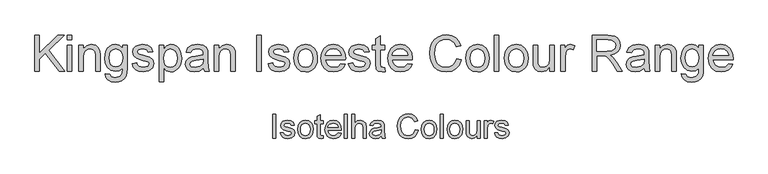
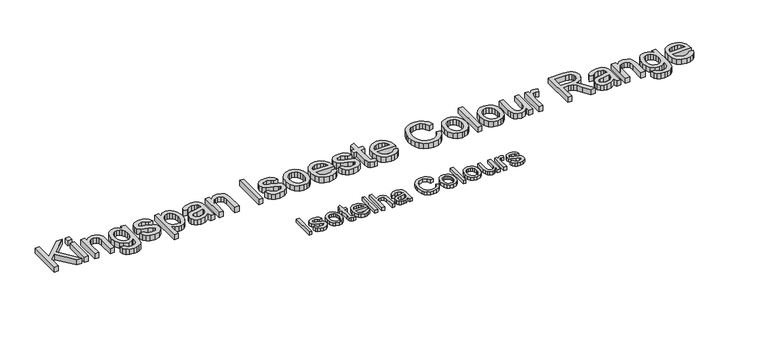
"""IFC4 building model written with IfcOpenShell, lengths in millimetres: proxy geometry."""

import ifcopenshell
import ifcopenshell.guid

model = None  # the IFC model being written
_history = None  # IfcOwnerHistory: only IFC2X3 demands one
_inside = {}  # id of a spatial element -> (the spatial element, [elements in it])
_under = {}  # id of a project, library or spatial element -> (it, [spatial elements below it])
_declared = {}  # id of a project -> (the project, [libraries it declares])
_typed = {}  # id of a type object -> (the type object, [elements of that type])
_made_of = {}  # id of a material, layer set ... -> (it, [elements and type objects made of it])


def new_model(schema):
    """Start an empty IFC model of exactly this schema.

    Asked for "IFC4X3", IfcOpenShell would pick the latest addendum, in which some entities
    have other attributes; the version numbers below select the first issue.
    IFC2X3 requires an IfcOwnerHistory on every rooted entity: one is made here for all.
    """
    global model, _history
    if schema == "IFC4X3":
        model = ifcopenshell.file(schema_version=(4, 3, 0, 0))
    else:
        model = ifcopenshell.file(schema=schema)
    _inside.clear()
    _under.clear()
    _declared.clear()
    _typed.clear()
    _made_of.clear()
    _history = None
    if model.schema == "IFC2X3":
        org = make("IfcOrganization", Name="unknown")
        user = make(
            "IfcPersonAndOrganization",
            ThePerson=make("IfcPerson", FamilyName="unknown"),
            TheOrganization=org,
        )
        app = make(
            "IfcApplication",
            ApplicationDeveloper=org,
            Version="unknown",
            ApplicationFullName="unknown",
            ApplicationIdentifier="unknown",
        )
        _history = make(
            "IfcOwnerHistory",
            OwningUser=user,
            OwningApplication=app,
            ChangeAction="ADDED",
            CreationDate=0,
        )
    return model


def make(cls, **values):
    """One entity of the class cls with the attributes given. An attribute that is None is left unset."""
    return model.create_entity(
        cls, **{name: value for name, value in values.items() if value is not None}
    )


def rooted(cls, **values):
    """An entity with a GlobalId (a new one), such as an element, a storey or a relation."""
    return make(cls, GlobalId=ifcopenshell.guid.new(), OwnerHistory=_history, **values)


def si_unit(unit_type, name, prefix=None):
    """IfcSIUnit, for example si_unit("LENGTHUNIT", "METRE", prefix="MILLI")."""
    return make("IfcSIUnit", UnitType=unit_type, Prefix=prefix, Name=name)


def assignment(units):
    """IfcUnitAssignment: the units of a project."""
    return None if units is None else make("IfcUnitAssignment", Units=units)


def point(xyz):
    """IfcCartesianPoint."""
    return None if xyz is None else make("IfcCartesianPoint", Coordinates=xyz)


def direction(xyz):
    """IfcDirection."""
    return None if xyz is None else make("IfcDirection", DirectionRatios=xyz)


def frame(location, z_axis=None, x_axis=None):
    """IfcAxis2Placement3D, a coordinate frame: its origin and axes. An axis left out is left unset."""
    return make(
        "IfcAxis2Placement3D",
        Location=point(location),
        Axis=direction(z_axis),
        RefDirection=direction(x_axis),
    )


def origin():
    """The frame at (0, 0, 0) with its axes left unset."""
    return frame((0.0, 0.0, 0.0))


def origin_with_axes():
    """The frame at (0, 0, 0) with the z axis (0, 0, 1) and the x axis (1, 0, 0) written out."""
    return frame((0.0, 0.0, 0.0), z_axis=(0.0, 0.0, 1.0), x_axis=(1.0, 0.0, 0.0))


def place(relative_to, where):
    """IfcLocalPlacement: puts the frame where relative to a parent placement (None: the world)."""
    return make(
        "IfcLocalPlacement", PlacementRelTo=relative_to, RelativePlacement=where
    )


def context(
    kind, dimensions, precision=None, world=None, true_north=None, identifier=None
):
    """IfcGeometricRepresentationContext, for example the 3D "Model" context."""
    return make(
        "IfcGeometricRepresentationContext",
        ContextIdentifier=identifier,
        ContextType=kind,
        CoordinateSpaceDimension=dimensions,
        Precision=precision,
        WorldCoordinateSystem=world,
        TrueNorth=true_north,
    )


def project(units=None, contexts=None):
    """IfcProject with its units and contexts."""
    return rooted(
        "IfcProject",
        Name="project",
        RepresentationContexts=contexts,
        UnitsInContext=assignment(units),
    )


def spatial(cls, under=None, at=None, **own):
    """A site, building, storey or space (cls), placed at a placement, below another one or the project."""
    s = rooted(cls, ObjectPlacement=at, **own)
    if under is not None:
        _under.setdefault(under.id(), (under, []))[1].append(s)
    return s


def polyline(points):
    """IfcPolyline through the points."""
    return make("IfcPolyline", Points=[point(p) for p in points])


def outline(outer, holes=None, kind="AREA"):
    """IfcArbitraryClosedProfileDef: a profile drawn as a closed curve; with holes, ...WithVoids."""
    if holes is None:
        return make("IfcArbitraryClosedProfileDef", ProfileType=kind, OuterCurve=outer)
    return make(
        "IfcArbitraryProfileDefWithVoids",
        ProfileType=kind,
        OuterCurve=outer,
        InnerCurves=holes,
    )


def extrude(swept, where, along, depth):
    """IfcExtrudedAreaSolid: the profile swept, set in the frame where, extruded along a direction by depth."""
    return make(
        "IfcExtrudedAreaSolid",
        SweptArea=swept,
        Position=where,
        ExtrudedDirection=direction(along),
        Depth=depth,
    )


def shape(context_of_items, identifier, shape_type, items):
    """IfcShapeRepresentation: the items that make up one representation, for example the "Body"."""
    return make(
        "IfcShapeRepresentation",
        ContextOfItems=context_of_items,
        RepresentationIdentifier=identifier,
        RepresentationType=shape_type,
        Items=items,
    )


def source(mapping_origin, context_of_items, identifier, shape_type, items):
    """IfcRepresentationMap: a shape defined once, which mapped items show again and again."""
    return make(
        "IfcRepresentationMap",
        MappingOrigin=mapping_origin,
        MappedRepresentation=shape(context_of_items, identifier, shape_type, items),
    )


def transform(
    local_origin,
    x_axis=None,
    y_axis=None,
    z_axis=None,
    scale=None,
    scale2=None,
    scale3=None,
    uniform=True,
):
    """IfcCartesianTransformationOperator3D, or its non-uniform kind. x_axis, y_axis, z_axis: its Axis1, 2, 3."""
    if uniform:
        return make(
            "IfcCartesianTransformationOperator3D",
            Axis1=direction(x_axis),
            Axis2=direction(y_axis),
            LocalOrigin=point(local_origin),
            Scale=scale,
            Axis3=direction(z_axis),
        )
    return make(
        "IfcCartesianTransformationOperator3DnonUniform",
        Axis1=direction(x_axis),
        Axis2=direction(y_axis),
        LocalOrigin=point(local_origin),
        Scale=scale,
        Axis3=direction(z_axis),
        Scale2=scale2,
        Scale3=scale3,
    )


def mapped(mapping_source, mapping_target):
    """IfcMappedItem: shows the shape of a source again, moved by a transform."""
    return make(
        "IfcMappedItem", MappingSource=mapping_source, MappingTarget=mapping_target
    )


def made_of(thing, what):
    """Note that an element or type object is made of a material, layer set ...; save() writes the relation."""
    if what is not None:
        _made_of.setdefault(what.id(), (what, []))[1].append(thing)
    return thing


def element(
    cls,
    number,
    at=None,
    inside=None,
    cuts=None,
    type_object=None,
    material=None,
    context=None,
    identifier="Body",
    shape_type=None,
    held_by="IfcProductDefinitionShape",
    body=None,
    shapes=None,
    **own,
):
    """One element of the class cls, such as IfcWall. Its Tag is "e" and its number.

    at: its placement. inside: the storey or other place that contains it. cuts: it is an
    opening in that element (IfcRelVoidsElement). A single representation is given by context,
    identifier, shape_type and body (its items); several are given by shapes. held_by: the class
    of the entity that holds the representations. save() writes the other relations.
    """
    e = rooted(cls, Tag="e%d" % number, ObjectPlacement=at, **own)
    if body is not None:
        shapes = [shape(context, identifier, shape_type, body)]
    if shapes is not None:
        e.Representation = make(held_by, Representations=shapes)
    if inside is not None:
        _inside.setdefault(inside.id(), (inside, []))[1].append(e)
    if cuts is not None:
        rooted(
            "IfcRelVoidsElement", RelatingBuildingElement=cuts, RelatedOpeningElement=e
        )
    if type_object is not None:
        _typed.setdefault(type_object.id(), (type_object, []))[1].append(e)
    return made_of(e, material)


def aggregate(whole, parts):
    """IfcRelAggregates: a whole, such as a stair, and the parts it consists of."""
    return rooted("IfcRelAggregates", RelatingObject=whole, RelatedObjects=parts)


def save(model, path):
    """Write the relations noted so far, then the file.

    IfcRelAggregates (storeys below a building ...), IfcRelContainedInSpatialStructure (elements
    in a storey), IfcRelDefinesByType, IfcRelAssociatesMaterial and IfcRelDeclares: one each for
    every whole, place, type object, material and project.
    """
    for whole, parts in _under.values():
        aggregate(whole, parts)
    for where, things in _inside.values():
        rooted(
            "IfcRelContainedInSpatialStructure",
            RelatedElements=things,
            RelatingStructure=where,
        )
    for kind, things in _typed.values():
        rooted("IfcRelDefinesByType", RelatedObjects=things, RelatingType=kind)
    for what, things in _made_of.values():
        rooted("IfcRelAssociatesMaterial", RelatedObjects=things, RelatingMaterial=what)
    for by, libraries in _declared.values():
        rooted("IfcRelDeclares", RelatingContext=by, RelatedDefinitions=libraries)
    model.write(path)


def generic_models_5070884a(model_context):
    return source(origin(), model_context, "Body", "SweptSolid", [
        extrude(outline(polyline([(-1457.4013121, 700.0), (-1457.4013121, 850.6844652), (-1438.5657539, 850.6844652), (-1438.5657539, 776.9241252), (-1361.310535, 850.6844652), (-1334.9701841, 850.6844652), (-1399.8277798, 788.7331372), (-1332.6157393, 700.0), (-1355.6451522, 700.0), (-1413.1818963, 776.0044202), (-1438.5657539, 751.7977849), (-1438.5657539, 700.0), (-1457.4013121, 700.0)])), origin_with_axes(), (0.0, 0.0, 1.0), 25.0),
        extrude(outline(polyline([(-1320.8435155, 831.8489071), (-1320.8435155, 850.6844652), (-1302.0079573, 850.6844652), (-1302.0079573, 831.8489071), (-1320.8435155, 831.8489071)])), origin_with_axes(), (0.0, 0.0, 1.0), 25.0),
        extrude(outline(polyline([(-1320.8435155, 700.0), (-1320.8435155, 810.6589041), (-1302.0079573, 810.6589041), (-1302.0079573, 700.0), (-1320.8435155, 700.0)])), origin_with_axes(), (0.0, 0.0, 1.0), 25.0),
        extrude(outline(polyline([(-1273.7546201, 700.0), (-1273.7546201, 810.6589041), (-1254.9190619, 810.6589041), (-1254.9190619, 795.2078604), (-1240.5164818, 808.5619768), (-1220.8531892, 813.0133489), (-1203.0660947, 809.4264995), (-1190.9259889, 800.0087204), (-1185.2790003, 786.1579633), (-1184.2857189, 767.9478045), (-1184.2857189, 700.0), (-1203.121277, 700.0), (-1203.121277, 765.4094187), (-1205.2917808, 782.0744731), (-1212.9621204, 790.8852469), (-1225.8931725, 794.1777908), (-1236.9250339, 792.3291837), (-1246.3290174, 786.7833627), (-1252.7715508, 776.0687996), (-1254.9190619, 758.7139664), (-1254.9190619, 700.0), (-1273.7546201, 700.0)])), origin_with_axes(), (0.0, 0.0, 1.0), 25.0),
        extrude(outline(polyline([(-1163.095716, 690.5822209), (-1144.2601578, 688.2277762), (-1138.1533167, 678.2949623), (-1119.8695815, 674.1011075), (-1100.592565, 678.8467853), (-1091.3955151, 692.1641135), (-1090.1079281, 714.1266686), (-1103.370074, 703.5316672), (-1119.5384877, 700.0), (-1138.9580585, 704.1110813), (-1153.4388136, 716.4443252), (-1162.4473239, 734.5257252), (-1165.4501607, 755.8812751), (-1160.0606895, 785.0727114), (-1153.4664047, 796.9231102), (-1144.4624929, 805.7292854), (-1133.3570552, 811.192333), (-1120.4581927, 813.0133489), (-1103.6551826, 808.8930706), (-1090.1079281, 796.5322355), (-1090.1079281, 810.6589041), (-1071.27237, 810.6589041), (-1071.27237, 715.11995), (-1072.5599569, 693.0608259), (-1076.4227179, 678.5340856), (-1083.0767835, 668.9001758), (-1092.7382844, 661.5195433), (-1105.1956884, 656.8290479), (-1120.2374635, 655.2655494), (-1137.7624421, 657.4682428), (-1151.5626154, 664.0763232), (-1160.4147759, 675.1081845), (-1163.095716, 690.5822209)]), holes=[polyline([(-1146.6146026, 757.1688621), (-1144.6050472, 739.8922039), (-1138.576381, 728.0142139), (-1129.5126883, 721.1302221), (-1118.3980535, 718.8355582), (-1107.3661922, 721.1164265), (-1098.2565143, 727.9590316), (-1092.1450747, 739.6852702), (-1090.1079281, 756.6170391), (-1092.2048555, 772.9464011), (-1098.4956376, 784.7048294), (-1107.7386727, 791.8095504), (-1118.6923591, 794.1777908), (-1129.448309, 791.8463386), (-1138.4660164, 784.8519822), (-1144.577456, 773.2682979), (-1146.6146026, 757.1688621)])]), origin_with_axes(), (0.0, 0.0, 1.0), 25.0),
        extrude(outline(polyline([(-1050.082367, 732.9622268), (-1031.2468089, 735.3166715), (-1028.2761618, 727.2600558), (-1022.5280056, 721.3371557), (-1002.5520133, 716.4811134), (-983.3485731, 720.9324855), (-977.0945792, 731.3803342), (-978.6672747, 736.1811942), (-983.3853613, 739.8416201), (-1002.7727425, 745.2126972), (-1031.1364443, 754.4281412), (-1043.5156734, 765.1886895), (-1047.7279223, 780.3822159), (-1044.3434079, 794.4169141), (-1035.1095698, 805.1406742), (-1023.1350109, 810.7140864), (-1006.929809, 813.0133489), (-984.0107607, 809.3161349), (-969.4426337, 799.3097446), (-962.9679106, 782.4055669), (-981.8034687, 780.0511222), (-988.8851971, 790.4437885), (-1005.458281, 794.1777908), (-1023.4844988, 790.6093354), (-1028.8923641, 782.2952023), (-1026.6482839, 776.8137606), (-1019.6217378, 772.656694), (-1003.3981418, 768.6467803), (-975.7518099, 759.7808242), (-962.9127283, 749.7376457), (-958.259021, 733.366897), (-963.7220687, 715.3406792), (-979.4858122, 702.2624743), (-1002.8095307, 697.6455552), (-1021.8014387, 699.8712413), (-1035.6613928, 706.5482995), (-1044.913625, 717.6031535), (-1050.082367, 732.9622268)])), origin_with_axes(), (0.0, 0.0, 1.0), 25.0),
        extrude(outline(polyline([(-937.0690181, 657.6199942), (-937.0690181, 810.6589041), (-918.23346, 810.6589041), (-918.23346, 792.191228), (-905.2104373, 807.8078187), (-887.625678, 813.0133489), (-874.8877639, 811.192333), (-863.7501365, 805.7292854), (-854.6818453, 796.9552998), (-848.1519399, 785.2014701), (-842.8912273, 756.1755807), (-844.3765509, 740.0669478), (-848.8325216, 725.6597692), (-856.1165851, 713.6852102), (-866.0861871, 704.8744364), (-877.6974626, 699.4527755), (-889.9065463, 697.6455552), (-906.2956892, 702.4832035), (-918.23346, 714.7152798), (-918.23346, 657.6199942), (-937.0690181, 657.6199942)]), holes=[polyline([(-918.23346, 754.4465353), (-916.1963134, 737.5607517), (-910.0848738, 725.7517397), (-901.0671664, 718.79877), (-890.3112165, 716.4811134), (-879.3805227, 718.8815434), (-870.1328891, 726.0828335), (-863.8283114, 738.3241068), (-861.7267855, 755.8444869), (-863.7777276, 772.6382999), (-869.930554, 784.6128589), (-878.9344658, 791.7865578), (-889.5386643, 794.1777908), (-900.1842496, 791.6348065), (-909.5330508, 784.0058536), (-916.0583577, 771.5300554), (-918.23346, 754.4465353)])]), origin_with_axes(), (0.0, 0.0, 1.0), 25.0),
        extrude(outline(polyline([(-751.0678814, 714.1266686), (-769.3332224, 701.3611634), (-789.5115498, 697.6455552), (-805.2523007, 699.8804384), (-816.8635762, 706.5850877), (-824.0234795, 716.7662219), (-826.410114, 729.4305596), (-822.8048704, 744.3297804), (-813.331909, 755.1455111), (-800.1433395, 761.3259286), (-783.8461671, 764.15862), (-751.178246, 770.6333431), (-751.0678814, 774.8271978), (-752.3646654, 783.2333014), (-756.2550175, 788.7331372), (-764.9554267, 792.8166274), (-777.0771384, 794.1777908), (-796.1334258, 790.5541531), (-805.220111, 777.6966774), (-824.0556692, 780.0511222), (-815.907083, 798.4452219), (-799.499546, 809.2241644), (-774.6491172, 813.0133489), (-751.8220394, 809.6656228), (-738.9277755, 801.2595192), (-733.1520282, 788.4756198), (-732.2323232, 771.9945065), (-732.2323232, 748.5604234), (-731.27583, 715.8373199), (-727.5234337, 700.0), (-746.3589918, 700.0), (-751.0678814, 714.1266686)]), holes=[polyline([(-751.0678814, 751.7977849), (-781.4549342, 746.0220376), (-797.660136, 742.968617), (-804.9993818, 738.0022101), (-807.5745558, 730.7549348), (-801.9643554, 720.5646035), (-785.5016361, 716.4811134), (-766.4453488, 720.9876678), (-754.1580901, 731.895369), (-751.178246, 746.463496), (-751.0678814, 751.7977849)])]), origin_with_axes(), (0.0, 0.0, 1.0), 25.0),
        extrude(outline(polyline([(-706.3334307, 700.0), (-706.3334307, 810.6589041), (-687.4978726, 810.6589041), (-687.4978726, 795.2078604), (-673.0952925, 808.5619768), (-653.4319998, 813.0133489), (-635.6449054, 809.4264995), (-623.5047995, 800.0087204), (-617.8578109, 786.1579633), (-616.8645295, 767.9478045), (-616.8645295, 700.0), (-635.7000877, 700.0), (-635.7000877, 765.4094187), (-637.8705914, 782.0744731), (-645.540931, 790.8852469), (-658.4719832, 794.1777908), (-669.5038445, 792.3291837), (-678.907828, 786.7833627), (-685.3503614, 776.0687996), (-687.4978726, 758.7139664), (-687.4978726, 700.0), (-706.3334307, 700.0)])), origin_with_axes(), (0.0, 0.0, 1.0), 25.0),
        extrude(outline(polyline([(-527.3956283, 700.0), (-527.3956283, 850.6844652), (-508.5600701, 850.6844652), (-508.5600701, 700.0), (-527.3956283, 700.0)])), origin_with_axes(), (0.0, 0.0, 1.0), 25.0),
        extrude(outline(polyline([(-480.3067329, 732.9622268), (-461.4711747, 735.3166715), (-458.5005276, 727.2600558), (-452.7523715, 721.3371557), (-432.7763791, 716.4811134), (-413.572939, 720.9324855), (-407.3189451, 731.3803342), (-408.8916406, 736.1811942), (-413.6097272, 739.8416201), (-432.9971083, 745.2126972), (-461.3608102, 754.4281412), (-473.7400393, 765.1886895), (-477.9522881, 780.3822159), (-474.5677738, 794.4169141), (-465.3339357, 805.1406742), (-453.3593768, 810.7140864), (-437.1541749, 813.0133489), (-414.2351266, 809.3161349), (-399.6669996, 799.3097446), (-393.1922764, 782.4055669), (-412.0278346, 780.0511222), (-419.109563, 790.4437885), (-435.6826469, 794.1777908), (-453.7088647, 790.6093354), (-459.11673, 782.2952023), (-456.8726498, 776.8137606), (-449.8461037, 772.656694), (-433.6225077, 768.6467803), (-405.9761758, 759.7808242), (-393.1370941, 749.7376457), (-388.4833869, 733.366897), (-393.9464345, 715.3406792), (-409.710178, 702.2624743), (-433.0338965, 697.6455552), (-452.0258045, 699.8712413), (-465.8857587, 706.5482995), (-475.1379909, 717.6031535), (-480.3067329, 732.9622268)])), origin_with_axes(), (0.0, 0.0, 1.0), 25.0),
        extrude(outline(polyline([(-372.0022735, 755.3294521), (-367.9279804, 782.0100938), (-355.7051011, 800.7628785), (-340.6035452, 809.9507313), (-322.5221452, 813.0133489), (-302.7346924, 809.2839452), (-286.9295621, 798.095734), (-276.5690854, 780.3316322), (-273.1155932, 756.8745565), (-274.6423035, 737.8458603), (-279.2224343, 723.3605067), (-286.7226285, 712.5125864), (-297.0095288, 704.3961898), (-309.2278096, 699.3332139), (-322.5221452, 697.6455552), (-342.5487213, 701.3611634), (-358.3354574, 712.5079878), (-368.5855695, 730.6445702), (-372.0022735, 755.3294521)]), holes=[polyline([(-353.1667154, 755.3662403), (-350.9870145, 738.3195083), (-344.4479121, 726.174804), (-334.6070687, 718.904536), (-322.5221452, 716.4811134), (-310.4924039, 718.9183316), (-300.6699547, 726.2299863), (-294.1308522, 738.535639), (-291.9511514, 755.9548515), (-294.1446478, 772.5049427), (-300.725137, 784.4841002), (-310.5613818, 791.7543681), (-322.5221452, 794.1777908), (-334.6070687, 791.7635652), (-344.4479121, 784.5208884), (-350.9870145, 772.4037752), (-353.1667154, 755.3662403)])]), origin_with_axes(), (0.0, 0.0, 1.0), 25.0),
        extrude(outline(polyline([(-174.4496421, 732.9622268), (-155.981966, 730.607782), (-162.6360315, 716.6926455), (-173.2540256, 706.2907821), (-187.5968249, 699.806862), (-205.4253061, 697.6455552), (-227.525817, 701.374959), (-244.5311622, 712.5631701), (-255.374484, 730.4836218), (-258.9889246, 754.4097471), (-255.3376958, 779.1406142), (-244.3840094, 797.6358815), (-227.6085904, 809.1689821), (-206.4921639, 813.0133489), (-186.0333264, 809.1781791), (-169.6855703, 797.6726697), (-158.9664086, 779.2141906), (-155.3933548, 754.5201117), (-155.5037194, 749.4433402), (-240.1533665, 749.4433402), (-236.8930123, 735.3442627), (-229.3192417, 724.9791875), (-218.3885479, 718.6056319), (-205.0574241, 716.4811134), (-186.589748, 720.4174507), (-174.4496421, 732.9622268)]), holes=[polyline([(-240.1533665, 768.2788983), (-174.2289129, 768.2788983), (-176.7764957, 778.2301063), (-181.7704938, 785.3486229), (-192.7517714, 791.9704988), (-206.5657403, 794.1777908), (-219.2622677, 792.4165557), (-229.7607001, 787.1328506), (-237.0585592, 778.8968924), (-240.1533665, 768.2788983)])]), origin_with_axes(), (0.0, 0.0, 1.0), 25.0),
        extrude(outline(polyline([(-143.6211309, 732.9622268), (-124.7855728, 735.3166715), (-121.8149257, 727.2600558), (-116.0667695, 721.3371557), (-96.0907771, 716.4811134), (-76.887337, 720.9324855), (-70.6333431, 731.3803342), (-72.2060386, 736.1811942), (-76.9241252, 739.8416201), (-96.3115063, 745.2126972), (-124.6752082, 754.4281412), (-137.0544373, 765.1886895), (-141.2666861, 780.3822159), (-137.8821718, 794.4169141), (-128.6483337, 805.1406742), (-116.6737748, 810.7140864), (-100.4685729, 813.0133489), (-77.5495246, 809.3161349), (-62.9813976, 799.3097446), (-56.5066745, 782.4055669), (-75.3422326, 780.0511222), (-82.423961, 790.4437885), (-98.9970449, 794.1777908), (-117.0232627, 790.6093354), (-122.431128, 782.2952023), (-120.1870478, 776.8137606), (-113.1605017, 772.656694), (-96.9369057, 768.6467803), (-69.2905738, 759.7808242), (-56.4514922, 749.7376457), (-51.7977849, 733.366897), (-57.2608325, 715.3406792), (-73.024576, 702.2624743), (-96.3482945, 697.6455552), (-115.3402025, 699.8712413), (-129.2001567, 706.5482995), (-138.4523889, 717.6031535), (-143.6211309, 732.9622268)])), origin_with_axes(), (0.0, 0.0, 1.0), 25.0),
        extrude(outline(polyline([(9.4177791, 715.7085612), (11.7722238, 699.448177), (-2.3176566, 697.6455552), (-18.0997942, 700.7725522), (-25.9724689, 708.9763207), (-28.2533372, 730.3502646), (-28.2533372, 791.823346), (-42.3800058, 791.823346), (-42.3800058, 810.6589041), (-28.2533372, 810.6589041), (-28.2533372, 837.551078), (-9.4177791, 848.6243261), (-9.4177791, 810.6589041), (9.4177791, 810.6589041), (9.4177791, 791.823346), (-9.4177791, 791.823346), (-9.4177791, 730.9020876), (-8.4244977, 721.1900029), (-5.2055302, 717.7503063), (1.2140106, 716.4811134), (9.4177791, 715.7085612)])), origin_with_axes(), (0.0, 0.0, 1.0), 25.0),
        extrude(outline(polyline([(105.7292854, 732.9622268), (124.1969616, 730.607782), (117.542896, 716.6926455), (106.9249019, 706.2907821), (92.5821026, 699.806862), (74.7536214, 697.6455552), (52.6531106, 701.374959), (35.6477653, 712.5631701), (24.8044435, 730.4836218), (21.1900029, 754.4097471), (24.8412317, 779.1406142), (35.7949181, 797.6358815), (52.5703371, 809.1689821), (73.6867636, 813.0133489), (94.1456011, 809.1781791), (110.4933573, 797.6726697), (121.2125189, 779.2141906), (124.7855728, 754.5201117), (124.6752082, 749.4433402), (40.0255611, 749.4433402), (43.2859153, 735.3442627), (50.8596858, 724.9791875), (61.7903796, 718.6056319), (75.1215034, 716.4811134), (93.5891796, 720.4174507), (105.7292854, 732.9622268)]), holes=[polyline([(40.0255611, 768.2788983), (105.9500146, 768.2788983), (103.4024318, 778.2301063), (98.4084337, 785.3486229), (87.4271562, 791.9704988), (73.6131872, 794.1777908), (60.9166599, 792.4165557), (50.4182274, 787.1328506), (43.1203684, 778.8968924), (40.0255611, 768.2788983)])]), origin_with_axes(), (0.0, 0.0, 1.0), 25.0),
        extrude(outline(polyline([(310.7867095, 753.5636185), (329.6222677, 748.7075762), (320.9310555, 726.7588166), (307.2918306, 710.7237602), (289.3759774, 700.9151065), (267.8548807, 697.6455552), (246.0072887, 700.1195616), (228.6570541, 707.5415809), (215.35812, 719.6540956), (205.6644294, 736.1995883), (199.7461278, 755.6513488), (197.7733606, 776.4826668), (200.0036452, 798.454419), (206.694499, 817.4279329), (217.4964341, 832.8008017), (232.0599626, 843.9706188), (249.3320222, 850.7718372), (268.2595509, 853.03891), (288.9115264, 850.1050511), (305.9858495, 841.3034743), (318.9490913, 827.1768057), (327.2678229, 808.2676712), (308.4322648, 803.7795108), (301.9023593, 817.5153048), (292.981221, 826.9376824), (281.558485, 832.3869345), (267.5237869, 834.2033518), (251.3461762, 832.1891979), (238.0564391, 826.1467361), (227.9718739, 816.710563), (221.4097788, 804.5152748), (216.6089188, 776.519455), (218.029863, 759.1186366), (222.2926956, 744.072263), (229.558365, 731.9551498), (239.9878196, 723.3421126), (252.4912089, 718.1963632), (265.9786825, 716.4811134), (281.7010393, 718.8171641), (294.8022368, 725.8253161), (304.693664, 737.431993), (310.7867095, 753.5636185)])), origin_with_axes(), (0.0, 0.0, 1.0), 25.0),
        extrude(outline(polyline([(348.4578258, 755.3294521), (352.5321189, 782.0100938), (364.7549982, 800.7628785), (379.8565541, 809.9507313), (397.9379542, 813.0133489), (417.725407, 809.2839452), (433.5305372, 798.095734), (443.8910139, 780.3316322), (447.3445061, 756.8745565), (445.8177959, 737.8458603), (441.237665, 723.3605067), (433.7374708, 712.5125864), (423.4505705, 704.3961898), (411.2322898, 699.3332139), (397.9379542, 697.6455552), (377.9113781, 701.3611634), (362.124642, 712.5079878), (351.8745299, 730.6445702), (348.4578258, 755.3294521)]), holes=[polyline([(367.293384, 755.3662403), (369.4730848, 738.3195083), (376.0121873, 726.174804), (385.8530306, 718.904536), (397.9379542, 716.4811134), (409.9676954, 718.9183316), (419.7901447, 726.2299863), (426.3292472, 738.535639), (428.508948, 755.9548515), (426.3154516, 772.5049427), (419.7349624, 784.4841002), (409.8987176, 791.7543681), (397.9379542, 794.1777908), (385.8530306, 791.7635652), (376.0121873, 784.5208884), (369.4730848, 772.4037752), (367.293384, 755.3662403)])]), origin_with_axes(), (0.0, 0.0, 1.0), 25.0),
        extrude(outline(polyline([(468.5345091, 700.0), (468.5345091, 850.6844652), (487.3700672, 850.6844652), (487.3700672, 700.0), (468.5345091, 700.0)])), origin_with_axes(), (0.0, 0.0, 1.0), 25.0),
        extrude(outline(polyline([(510.9145149, 755.3294521), (514.988808, 782.0100938), (527.2116873, 800.7628785), (542.3132432, 809.9507313), (560.3946433, 813.0133489), (580.1820961, 809.2839452), (595.9872263, 798.095734), (606.347703, 780.3316322), (609.8011952, 756.8745565), (608.2744849, 737.8458603), (603.6943541, 723.3605067), (596.1941599, 712.5125864), (585.9072596, 704.3961898), (573.6889789, 699.3332139), (560.3946433, 697.6455552), (540.3680671, 701.3611634), (524.581331, 712.5079878), (514.3312189, 730.6445702), (510.9145149, 755.3294521)]), holes=[polyline([(529.7500731, 755.3662403), (531.9297739, 738.3195083), (538.4688763, 726.174804), (548.3097197, 718.904536), (560.3946433, 716.4811134), (572.4243845, 718.9183316), (582.2468338, 726.2299863), (588.7859362, 738.535639), (590.9656371, 755.9548515), (588.7721407, 772.5049427), (582.1916515, 784.4841002), (572.3554066, 791.7543681), (560.3946433, 794.1777908), (548.3097197, 791.7635652), (538.4688763, 784.5208884), (531.9297739, 772.4037752), (529.7500731, 755.3662403)])]), origin_with_axes(), (0.0, 0.0, 1.0), 25.0),
        extrude(outline(polyline([(701.6245412, 700.0), (701.6245412, 719.0194992), (686.8724732, 702.9890412), (667.6322448, 697.6455552), (649.9187268, 701.3979516), (637.7050445, 710.8157307), (632.0948441, 724.6848819), (630.9911981, 742.1960648), (630.9911981, 810.6589041), (649.8267563, 810.6589041), (649.8267563, 751.0620209), (650.9671905, 731.8585808), (658.4168009, 720.5829976), (672.451499, 716.4811134), (688.1784543, 720.6749681), (698.5711206, 732.0977041), (701.6245412, 753.0853719), (701.6245412, 810.6589041), (720.4600994, 810.6589041), (720.4600994, 700.0), (701.6245412, 700.0)])), origin_with_axes(), (0.0, 0.0, 1.0), 25.0),
        extrude(outline(polyline([(746.3589918, 700.0), (746.3589918, 810.6589041), (762.8401052, 810.6589041), (762.8401052, 794.2881554), (774.5387526, 809.3713172), (786.3109765, 813.0133489), (805.220111, 807.2008134), (798.9293289, 790.3150298), (785.6855771, 794.1777908), (775.0353933, 790.4621826), (768.2479705, 780.1614867), (765.19455, 758.1621434), (765.19455, 700.0), (746.3589918, 700.0)])), origin_with_axes(), (0.0, 0.0, 1.0), 25.0),
        extrude(outline(polyline([(878.2078989, 700.0), (878.2078989, 850.6844652), (943.139071, 850.6844652), (973.2870005, 846.6193692), (982.5668239, 840.9907747), (989.7681139, 832.2351832), (994.3896315, 821.3780658), (995.9301373, 809.4448936), (993.377956, 794.6008551), (985.721412, 782.2952023), (972.730579, 773.2728964), (954.1755309, 768.2788983), (964.8808969, 760.2222826), (980.1479997, 740.8349015), (1005.27434, 700.0), (983.3853613, 700.0), (963.777251, 731.2331814), (949.6137941, 751.9081495), (939.6625862, 761.6754165), (930.7046596, 765.2622659), (919.7785643, 765.9244535), (897.043457, 765.9244535), (897.043457, 700.0), (878.2078989, 700.0)]), holes=[polyline([(897.043457, 784.7600117), (939.2027337, 784.7600117), (960.7054363, 787.4271562), (972.9191185, 795.9620184), (977.0945792, 808.7459178), (975.1034179, 817.9337706), (969.129934, 825.3373958), (958.8522308, 830.2210292), (943.9484114, 831.8489071), (897.043457, 831.8489071), (897.043457, 784.7600117)])]), origin_with_axes(), (0.0, 0.0, 1.0), 25.0),
        extrude(outline(polyline([(1097.1712624, 714.1266686), (1078.9059214, 701.3611634), (1058.7275939, 697.6455552), (1042.9868431, 699.8804384), (1031.3755676, 706.5850877), (1024.2156642, 716.7662219), (1021.8290298, 729.4305596), (1025.4342734, 744.3297804), (1034.9072347, 755.1455111), (1048.0958043, 761.3259286), (1064.3929766, 764.15862), (1097.0608978, 770.6333431), (1097.1712624, 774.8271978), (1095.8744784, 783.2333014), (1091.9841263, 788.7331372), (1083.2837171, 792.8166274), (1071.1620054, 794.1777908), (1052.105718, 790.5541531), (1043.0190327, 777.6966774), (1024.1834746, 780.0511222), (1032.3320608, 798.4452219), (1048.7395978, 809.2241644), (1073.5900265, 813.0133489), (1096.4171043, 809.6656228), (1109.3113683, 801.2595192), (1115.0871156, 788.4756198), (1116.0068206, 771.9945065), (1116.0068206, 748.5604234), (1116.9633138, 715.8373199), (1120.7157101, 700.0), (1101.880152, 700.0), (1097.1712624, 714.1266686)]), holes=[polyline([(1097.1712624, 751.7977849), (1066.7842096, 746.0220376), (1050.5790077, 742.968617), (1043.2397619, 738.0022101), (1040.664588, 730.7549348), (1046.2747884, 720.5646035), (1062.7375077, 716.4811134), (1081.793795, 720.9876678), (1094.0810537, 731.895369), (1097.0608978, 746.463496), (1097.1712624, 751.7977849)])]), origin_with_axes(), (0.0, 0.0, 1.0), 25.0),
        extrude(outline(polyline([(1141.905713, 700.0), (1141.905713, 810.6589041), (1160.7412712, 810.6589041), (1160.7412712, 795.2078604), (1175.1438513, 808.5619768), (1194.8071439, 813.0133489), (1212.5942384, 809.4264995), (1224.7343442, 800.0087204), (1230.3813329, 786.1579633), (1231.3746143, 767.9478045), (1231.3746143, 700.0), (1212.5390561, 700.0), (1212.5390561, 765.4094187), (1210.3685523, 782.0744731), (1202.6982127, 790.8852469), (1189.7671606, 794.1777908), (1178.7352993, 792.3291837), (1169.3313158, 786.7833627), (1162.8887823, 776.0687996), (1160.7412712, 758.7139664), (1160.7412712, 700.0), (1141.905713, 700.0)])), origin_with_axes(), (0.0, 0.0, 1.0), 25.0),
        extrude(outline(polyline([(1252.5646172, 690.5822209), (1271.4001753, 688.2277762), (1277.5070165, 678.2949623), (1295.7907516, 674.1011075), (1315.0677682, 678.8467853), (1324.264818, 692.1641135), (1325.552405, 714.1266686), (1312.2902591, 703.5316672), (1296.1218454, 700.0), (1276.7022746, 704.1110813), (1262.2215196, 716.4443252), (1253.2130092, 734.5257252), (1250.2101724, 755.8812751), (1255.5996436, 785.0727114), (1262.1939284, 796.9231102), (1271.1978402, 805.7292854), (1282.303278, 811.192333), (1295.2021404, 813.0133489), (1312.0051505, 808.8930706), (1325.552405, 796.5322355), (1325.552405, 810.6589041), (1344.3879632, 810.6589041), (1344.3879632, 715.11995), (1343.1003762, 693.0608259), (1339.2376152, 678.5340856), (1332.5835497, 668.9001758), (1322.9220488, 661.5195433), (1310.4646447, 656.8290479), (1295.4228696, 655.2655494), (1277.8978911, 657.4682428), (1264.0977177, 664.0763232), (1255.2455572, 675.1081845), (1252.5646172, 690.5822209)]), holes=[polyline([(1269.0457306, 757.1688621), (1271.055286, 739.8922039), (1277.0839522, 728.0142139), (1286.1476448, 721.1302221), (1297.2622796, 718.8355582), (1308.2941409, 721.1164265), (1317.4038188, 727.9590316), (1323.5152585, 739.6852702), (1325.552405, 756.6170391), (1323.4554776, 772.9464011), (1317.1646955, 784.7048294), (1307.9216604, 791.8095504), (1296.967974, 794.1777908), (1286.2120242, 791.8463386), (1277.1943168, 784.8519822), (1271.0828771, 773.2682979), (1269.0457306, 757.1688621)])]), origin_with_axes(), (0.0, 0.0, 1.0), 25.0),
        extrude(outline(polyline([(1450.1172486, 732.9622268), (1468.5849247, 730.607782), (1461.9308592, 716.6926455), (1451.3128651, 706.2907821), (1436.9700658, 699.806862), (1419.1415846, 697.6455552), (1397.0410737, 701.374959), (1380.0357285, 712.5631701), (1369.1924067, 730.4836218), (1365.5779661, 754.4097471), (1369.2291949, 779.1406142), (1380.1828813, 797.6358815), (1396.9583003, 809.1689821), (1418.0747268, 813.0133489), (1438.5335643, 809.1781791), (1454.8813204, 797.6726697), (1465.6004821, 779.2141906), (1469.1735359, 754.5201117), (1469.0631713, 749.4433402), (1384.4135242, 749.4433402), (1387.6738784, 735.3442627), (1395.247649, 724.9791875), (1406.1783428, 718.6056319), (1419.5094666, 716.4811134), (1437.9771427, 720.4174507), (1450.1172486, 732.9622268)]), holes=[polyline([(1384.4135242, 768.2788983), (1450.3379778, 768.2788983), (1447.790395, 778.2301063), (1442.7963969, 785.3486229), (1431.8151193, 791.9704988), (1418.0011504, 794.1777908), (1405.3046231, 792.4165557), (1394.8061906, 787.1328506), (1387.5083315, 778.8968924), (1384.4135242, 768.2788983)])]), origin_with_axes(), (0.0, 0.0, 1.0), 25.0),
        extrude(outline(polyline([(-459.9015449, 420.0), (-459.9015449, 520.4563101), (-447.3445061, 520.4563101), (-447.3445061, 420.0), (-459.9015449, 420.0)])), origin_with_axes(), (0.0, 0.0, 1.0), 15.0),
        extrude(outline(polyline([(-428.508948, 441.9748178), (-415.9519092, 443.5444477), (-410.1393737, 434.2247705), (-396.8220455, 430.9874089), (-384.019752, 433.9549904), (-379.8504228, 440.9202228), (-384.0442775, 446.5610801), (-396.9691983, 450.1417981), (-415.8783328, 456.2854275), (-424.1311522, 463.4591264), (-426.9393181, 473.588144), (-424.6829752, 482.9446094), (-418.5270832, 490.0937828), (-410.5440439, 493.809391), (-399.740576, 495.3422326), (-384.4612104, 492.8774232), (-374.7491258, 486.2064964), (-370.4326437, 474.9370446), (-382.9896824, 473.3674148), (-387.7108347, 480.295859), (-398.7595573, 482.7851938), (-410.7770358, 480.4062236), (-414.3822794, 474.8634682), (-412.8862259, 471.2091737), (-408.2018618, 468.437796), (-397.3861312, 465.7645202), (-378.9552432, 459.8538828), (-370.3958555, 453.1584305), (-367.293384, 442.244598), (-370.9354157, 430.2271195), (-381.4445781, 421.5083162), (-396.9937237, 418.4303702), (-409.6549957, 419.9141609), (-418.8949652, 424.365533), (-425.06312, 431.7354356), (-428.508948, 441.9748178)])), origin_with_axes(), (0.0, 0.0, 1.0), 15.0),
        extrude(outline(polyline([(-356.3059751, 456.8863014), (-353.5897797, 474.6733958), (-345.4411935, 487.1752523), (-335.3734895, 493.3004875), (-323.3192228, 495.3422326), (-310.1275876, 492.8559635), (-299.5908341, 485.397156), (-292.6838497, 473.5544214), (-290.3815215, 457.916371), (-294.4527489, 435.5736711), (-306.3108119, 422.9307932), (-323.3192228, 418.4303702), (-336.6702736, 420.9074423), (-347.1947643, 428.3386586), (-354.0281724, 440.4297135), (-356.3059751, 456.8863014)]), holes=[polyline([(-343.7489363, 456.9108268), (-342.2958024, 445.5463389), (-337.9364008, 437.4498693), (-331.3758385, 432.603024), (-323.3192228, 430.9874089), (-315.2993953, 432.6122211), (-308.7510958, 437.4866575), (-304.3916942, 445.690426), (-302.9385603, 457.3032343), (-304.4008912, 468.3366285), (-308.787884, 476.3227335), (-315.3453806, 481.1695787), (-323.3192228, 482.7851938), (-331.3758385, 481.1757101), (-337.9364008, 476.3472589), (-342.2958024, 468.2691835), (-343.7489363, 456.9108268)])]), origin_with_axes(), (0.0, 0.0, 1.0), 15.0),
        extrude(outline(polyline([(-249.5711455, 430.4723741), (-248.0015157, 419.632118), (-257.3947693, 418.4303702), (-267.9161944, 420.5150348), (-273.1646442, 425.9842138), (-274.6852231, 440.2335097), (-274.6852231, 481.215564), (-284.1030021, 481.215564), (-284.1030021, 493.7726028), (-274.6852231, 493.7726028), (-274.6852231, 511.7007187), (-262.1281843, 519.082884), (-262.1281843, 493.7726028), (-249.5711455, 493.7726028), (-249.5711455, 481.215564), (-262.1281843, 481.215564), (-262.1281843, 440.6013917), (-261.4659967, 434.1266686), (-259.3200184, 431.8335375), (-255.0403245, 430.9874089), (-249.5711455, 430.4723741)])), origin_with_axes(), (0.0, 0.0, 1.0), 15.0),
        extrude(outline(polyline([(-185.3634746, 441.9748178), (-173.0516905, 440.405188), (-177.4877343, 431.1284304), (-184.566397, 424.1938547), (-194.1282632, 419.8712413), (-206.0139173, 418.4303702), (-220.7475912, 420.9166393), (-232.084488, 428.3754468), (-239.3133692, 440.3224146), (-241.7229963, 456.2731647), (-239.2888438, 472.7604095), (-231.9863862, 485.0905877), (-220.8027735, 492.7793214), (-206.7251558, 495.3422326), (-193.0859309, 492.7854527), (-182.1874267, 485.1151131), (-175.041319, 472.8094604), (-172.6592831, 456.3467411), (-172.7328595, 452.9622268), (-229.1659575, 452.9622268), (-226.9923881, 443.5628418), (-221.9432077, 436.6527916), (-214.6560785, 432.4037546), (-205.7686626, 430.9874089), (-193.4568785, 433.6116338), (-185.3634746, 441.9748178)]), holes=[polyline([(-229.1659575, 465.5192655), (-185.2163218, 465.5192655), (-190.2440424, 476.8990819), (-197.5648941, 481.3136659), (-206.7742068, 482.7851938), (-222.2375133, 478.088567), (-227.1027527, 472.5979283), (-229.1659575, 465.5192655)])]), origin_with_axes(), (0.0, 0.0, 1.0), 15.0),
        extrude(outline(polyline([(-160.1022443, 420.0), (-160.1022443, 520.4563101), (-147.5452055, 520.4563101), (-147.5452055, 420.0), (-160.1022443, 420.0)])), origin_with_axes(), (0.0, 0.0, 1.0), 15.0),
        extrude(outline(polyline([(-128.7096474, 420.0), (-128.7096474, 520.4563101), (-116.1526086, 520.4563101), (-116.1526086, 483.5209578), (-106.3608162, 492.3869139), (-94.3004181, 495.3422326), (-80.1982749, 492.1171338), (-71.6388872, 483.2021268), (-69.0637132, 466.6964879), (-69.0637132, 420.0), (-81.620752, 420.0), (-81.620752, 465.3966382), (-85.618403, 478.64039), (-96.9491685, 482.7851938), (-107.2376016, 479.9892907), (-114.1047322, 472.4109216), (-116.1526086, 459.1916952), (-116.1526086, 420.0), (-128.7096474, 420.0)])), origin_with_axes(), (0.0, 0.0, 1.0), 15.0),
        extrude(outline(polyline([(-4.7088895, 429.4177791), (-16.8857836, 420.9074423), (-30.3380019, 418.4303702), (-40.8318358, 419.9202922), (-48.5726861, 424.3900585), (-53.345955, 431.1774813), (-54.9370446, 439.6203731), (-52.5335489, 449.5531869), (-46.2182413, 456.7636741), (-37.4258616, 460.8839524), (-26.5610801, 462.7724133), (-4.7824659, 467.0888954), (-4.7088895, 469.8847985), (-8.1669803, 479.1554248), (-22.0483942, 482.7851938), (-34.7525858, 480.3694354), (-40.810376, 471.7977849), (-53.3674148, 473.3674148), (-47.935024, 485.6301479), (-36.996666, 492.8161096), (-20.4297135, 495.3422326), (-5.2116616, 493.1104152), (3.3845144, 487.5063461), (7.2350126, 478.9837466), (7.8481492, 467.9963376), (7.8481492, 452.3736156), (8.4858114, 430.5582133), (10.9874089, 420.0), (-1.5696298, 420.0), (-4.7088895, 429.4177791)]), holes=[polyline([(-4.7088895, 454.5318566), (-24.9669247, 450.6813584), (-35.7703927, 448.6457447), (-40.6632232, 445.3348067), (-42.3800058, 440.5032899), (-38.6398722, 433.7097357), (-27.664726, 430.9874089), (-14.9605345, 433.9917785), (-6.7690287, 441.2635793), (-4.7824659, 450.975664), (-4.7088895, 454.5318566)])]), origin_with_axes(), (0.0, 0.0, 1.0), 15.0),
        extrude(outline(polyline([(136.5577966, 455.709079), (149.1148354, 452.4717174), (143.320694, 437.8392111), (134.2278773, 427.1491734), (122.2839752, 420.610071), (107.9365774, 418.4303702), (93.3715161, 420.0797078), (81.804693, 425.0277206), (72.9387369, 433.1027304), (66.4762765, 444.1330589), (61.215564, 470.9884445), (62.7024204, 485.6362793), (67.1629896, 498.2852886), (74.3642796, 508.5338678), (84.0732986, 515.9804125), (95.5880051, 520.5145581), (108.2063575, 522.02594), (121.9743412, 520.0700341), (133.3572233, 514.2023162), (141.9993845, 504.7845372), (147.5452055, 492.1784475), (134.9881668, 489.1863406), (124.6874709, 504.6251216), (107.7158482, 509.4689012), (88.0709496, 504.0978241), (76.9731761, 489.6768499), (73.7726028, 471.01297), (77.5617873, 449.3815087), (89.3585366, 435.5614084), (106.6857786, 430.9874089), (117.1673498, 432.544776), (125.9014815, 437.2168774), (132.4957662, 444.954662), (136.5577966, 455.709079)])), origin_with_axes(), (0.0, 0.0, 1.0), 15.0),
        extrude(outline(polyline([(161.6718741, 456.8863014), (164.3880695, 474.6733958), (172.5366557, 487.1752523), (182.6043597, 493.3004875), (194.6586264, 495.3422326), (207.8502616, 492.8559635), (218.3870151, 485.397156), (225.2939995, 473.5544214), (227.5963277, 457.916371), (223.5251003, 435.5736711), (211.6670373, 422.9307932), (194.6586264, 418.4303702), (181.3075756, 420.9074423), (170.7830849, 428.3386586), (163.9496768, 440.4297135), (161.6718741, 456.8863014)]), holes=[polyline([(174.2289129, 456.9108268), (175.6820468, 445.5463389), (180.0414484, 437.4498693), (186.6020107, 432.603024), (194.6586264, 430.9874089), (202.6784539, 432.6122211), (209.2267534, 437.4866575), (213.586155, 445.690426), (215.0392889, 457.3032343), (213.576958, 468.3366285), (209.1899652, 476.3227335), (202.6324686, 481.1695787), (194.6586264, 482.7851938), (186.6020107, 481.1757101), (180.0414484, 476.3472589), (175.6820468, 468.2691835), (174.2289129, 456.9108268)])]), origin_with_axes(), (0.0, 0.0, 1.0), 15.0),
        extrude(outline(polyline([(241.7229963, 420.0), (241.7229963, 520.4563101), (254.2800351, 520.4563101), (254.2800351, 420.0), (241.7229963, 420.0)])), origin_with_axes(), (0.0, 0.0, 1.0), 15.0),
        extrude(outline(polyline([(269.9763335, 456.8863014), (272.6925289, 474.6733958), (280.8411151, 487.1752523), (290.9088191, 493.3004875), (302.9630858, 495.3422326), (316.154721, 492.8559635), (326.6914745, 485.397156), (333.5984589, 473.5544214), (335.9007871, 457.916371), (331.8295596, 435.5736711), (319.9714967, 422.9307932), (302.9630858, 418.4303702), (289.612035, 420.9074423), (279.0875443, 428.3386586), (272.2541362, 440.4297135), (269.9763335, 456.8863014)]), holes=[polyline([(282.5333723, 456.9108268), (283.9865062, 445.5463389), (288.3459078, 437.4498693), (294.9064701, 432.603024), (302.9630858, 430.9874089), (310.9829133, 432.6122211), (317.5312128, 437.4866575), (321.8906144, 445.690426), (323.3437483, 457.3032343), (321.8814174, 468.3366285), (317.4944246, 476.3227335), (310.936928, 481.1695787), (302.9630858, 482.7851938), (294.9064701, 481.1757101), (288.3459078, 476.3472589), (283.9865062, 468.2691835), (282.5333723, 456.9108268)])]), origin_with_axes(), (0.0, 0.0, 1.0), 15.0),
        extrude(outline(polyline([(397.1163511, 420.0), (397.1163511, 432.6796661), (387.2816391, 421.9926941), (374.4548202, 418.4303702), (362.6458081, 420.9319677), (354.5033533, 427.2104871), (350.7632197, 436.4565879), (350.0274557, 448.1307099), (350.0274557, 493.7726028), (362.5844944, 493.7726028), (362.5844944, 454.0413473), (363.3447839, 441.2390539), (368.3111908, 433.7219984), (377.6676562, 430.9874089), (388.1522931, 433.7833121), (395.0807374, 441.3984694), (397.1163511, 455.3902479), (397.1163511, 493.7726028), (409.6733898, 493.7726028), (409.6733898, 420.0), (397.1163511, 420.0)])), origin_with_axes(), (0.0, 0.0, 1.0), 15.0),
        extrude(outline(polyline([(426.9393181, 420.0), (426.9393181, 493.7726028), (437.9267271, 493.7726028), (437.9267271, 482.8587702), (445.7258254, 492.9142114), (453.5739746, 495.3422326), (466.1800643, 491.4672089), (461.9862095, 480.2100199), (453.1570417, 482.7851938), (446.0569192, 480.3081217), (441.5319706, 473.4409912), (439.4963569, 458.7747623), (439.4963569, 420.0), (426.9393181, 420.0)])), origin_with_axes(), (0.0, 0.0, 1.0), 15.0),
        extrude(outline(polyline([(469.319324, 441.9748178), (481.8763627, 443.5444477), (487.6888983, 434.2247705), (501.0062265, 430.9874089), (513.8085199, 433.9549904), (517.9778492, 440.9202228), (513.7839945, 446.5610801), (500.8590737, 450.1417981), (481.9499391, 456.2854275), (473.6971197, 463.4591264), (470.8889538, 473.588144), (473.1452967, 482.9446094), (479.3011888, 490.0937828), (487.2842281, 493.809391), (498.087696, 495.3422326), (513.3670615, 492.8774232), (523.0791462, 486.2064964), (527.3956283, 474.9370446), (514.8385895, 473.3674148), (510.1174372, 480.295859), (499.0687147, 482.7851938), (487.0512361, 480.4062236), (483.4459926, 474.8634682), (484.942046, 471.2091737), (489.6264101, 468.437796), (500.4421408, 465.7645202), (518.8730287, 459.8538828), (527.4324165, 453.1584305), (530.534888, 442.244598), (526.8928562, 430.2271195), (516.3836939, 421.5083162), (500.8345482, 418.4303702), (488.1732762, 419.9141609), (478.9333068, 424.365533), (472.765152, 431.7354356), (469.319324, 441.9748178)])), origin_with_axes(), (0.0, 0.0, 1.0), 15.0),
    ])


if __name__ == "__main__":
    model = new_model("IFC4")
    model_context = context("Model", 3, world=origin())
    ifc_project = project(units=[si_unit("LENGTHUNIT", "METRE", prefix="MILLI")], contexts=[model_context])
    site = spatial("IfcSite", under=ifc_project)
    building = spatial("IfcBuilding", under=site)
    placement = place(None, origin())
    generic_models_shape = generic_models_5070884a(model_context)
    element("IfcBuildingElementProxy", 1, Name="Generic Models", at=placement, inside=building, context=model_context, shape_type="MappedRepresentation", body=[
        mapped(generic_models_shape, transform((0.0, 0.0, 0.0), x_axis=(1.0, 0.0, 0.0), y_axis=(0.0, 1.0, 0.0), z_axis=(0.0, 0.0, 1.0))),
    ])
    save(model, "model.ifc")
